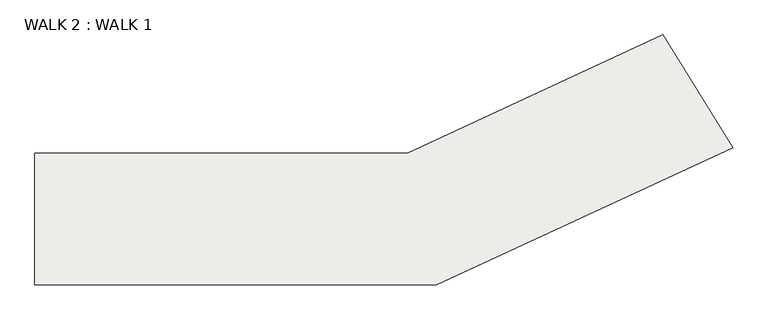
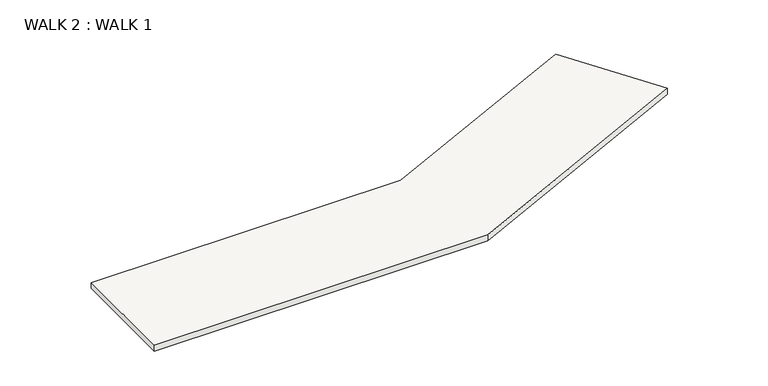
"""IFC4 building model written with IfcOpenShell, lengths in millimetres: slab geometry, WALK 2 : WALK 1."""

from ifc_helpers import new_model, si_unit, point, frame, frame_2d, origin, place, context, project, spatial, polyline, circle_curve, trimmed, segment, composite_curve, outline, extrude, source, transform, mapped, element, save


def walk_2_walk_1_dc2747cf(model_context):
    return source(origin(), model_context, "Body", "SweptSolid", [
        extrude(outline(composite_curve([segment(trimmed(circle_curve(frame_2d((-24639.5440345, -26167.559635)), 5638.8), [point((-20108.4868461, -22811.1350201))], [point((-19622.4263509, -23593.7306607))], False, "CARTESIAN"), True, "CONTINUOUS"), segment(polyline([(-19622.4263509, -23593.7306607), (-21680.0093185, -24546.6467561), (-24472.2714043, -24546.6467561), (-24472.2714043, -23632.2467561), (-21881.4714043, -23632.2467561), (-20108.4868461, -22811.1350201)]), True, "CONTINUOUS")], self_intersect=False)), frame((0.0, 0.0, 3810.0), z_axis=(0.0, 0.0, 1.0), x_axis=(1.0, 0.0, 0.0)), (0.0, 0.0, 1.0), 50.8),
    ])


if __name__ == "__main__":
    model = new_model("IFC4")
    model_context = context("Model", 3, world=origin())
    ifc_project = project(units=[si_unit("LENGTHUNIT", "METRE", prefix="MILLI")], contexts=[model_context])
    site = spatial("IfcSite", under=ifc_project)
    building = spatial("IfcBuilding", under=site)
    placement = place(None, origin())
    walk_2_walk_1_shape = walk_2_walk_1_dc2747cf(model_context)
    element("IfcSlab", 1, ObjectType="WALK 2 : WALK 1", at=placement, inside=building, context=model_context, shape_type="MappedRepresentation", body=[
        mapped(walk_2_walk_1_shape, transform((0.0, 0.0, 0.0), x_axis=(1.0, 0.0, 0.0), y_axis=(0.0, 1.0, 0.0), z_axis=(0.0, 0.0, 1.0))),
    ])
    save(model, "model.ifc")
